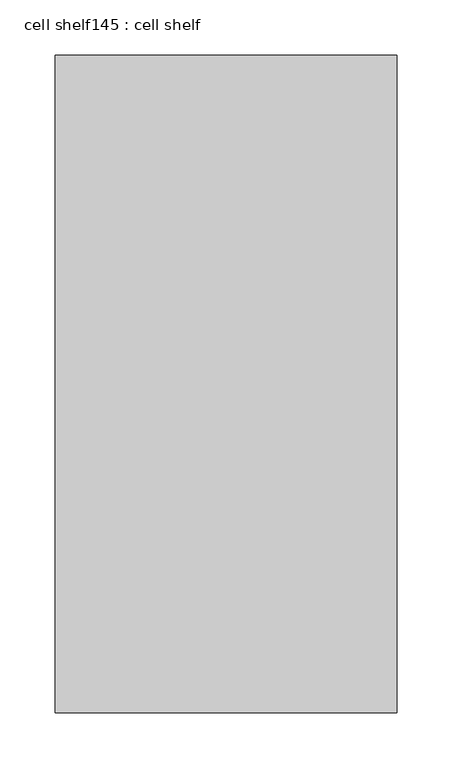
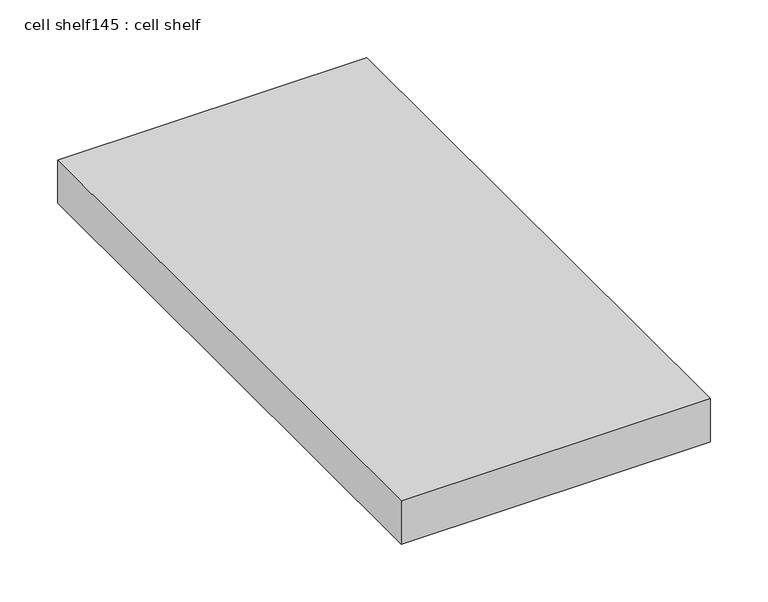
"""IFC4 building model written with IfcOpenShell, lengths in millimetres: proxy geometry, cell shelf145 : cell shelf."""

from ifc_helpers import new_model, si_unit, frame, origin, place, context, project, spatial, polyline, outline, extrude, source, transform, mapped, element, save


def cell_shelf145_cell_shelf_4c1f3896(model_context):
    return source(origin(), model_context, "Body", "SweptSolid", [
        extrude(outline(polyline([(-123561.2826094, -56947.2042641), (-123561.2826094, -57542.2906598), (-123870.6304059, -57542.2906598), (-123870.6304059, -56947.2042641), (-123561.2826094, -56947.2042641)])), frame((0.0, 0.0, 1320.0941517), z_axis=(0.0, 0.0, 1.0), x_axis=(1.0, 0.0, 0.0)), (0.0, 0.0, 1.0), 45.8133004),
    ])


if __name__ == "__main__":
    model = new_model("IFC4")
    model_context = context("Model", 3, world=origin())
    ifc_project = project(units=[si_unit("LENGTHUNIT", "METRE", prefix="MILLI")], contexts=[model_context])
    site = spatial("IfcSite", under=ifc_project)
    building = spatial("IfcBuilding", under=site)
    placement = place(None, origin())
    cell_shelf145_cell_shelf_shape = cell_shelf145_cell_shelf_4c1f3896(model_context)
    element("IfcBuildingElementProxy", 1, Name="cell shelf145 : cell shelf", ObjectType="cell shelf145 : cell shelf", at=placement, inside=building, context=model_context, shape_type="MappedRepresentation", body=[
        mapped(cell_shelf145_cell_shelf_shape, transform((0.0, 0.0, 0.0), x_axis=(1.0, 0.0, 0.0), y_axis=(0.0, 1.0, 0.0), z_axis=(0.0, 0.0, 1.0))),
    ])
    save(model, "model.ifc")
